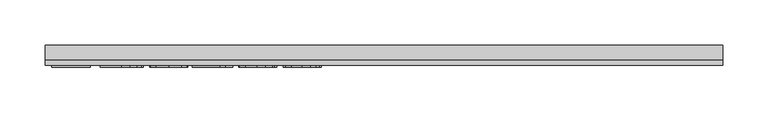
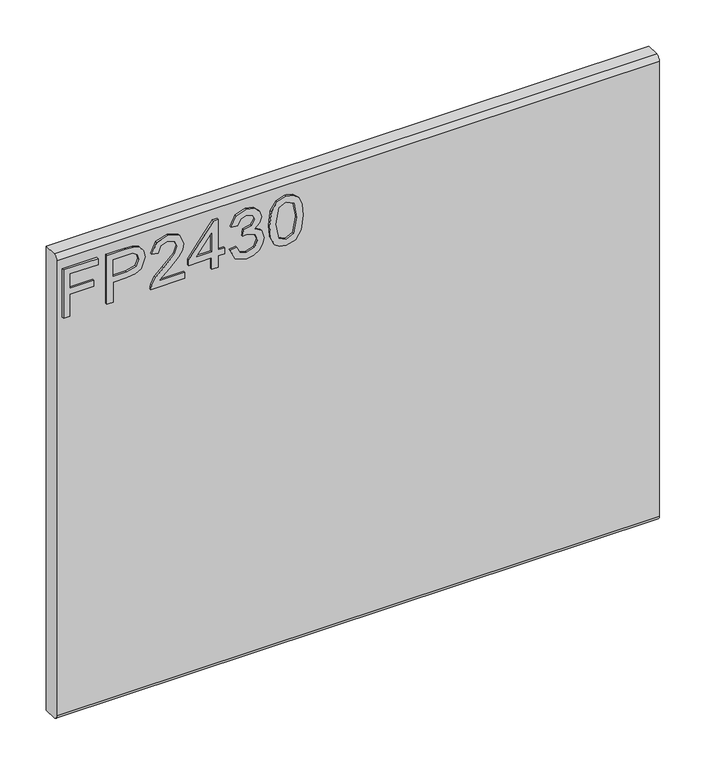
"""IFC4 building model written with IfcOpenShell, lengths in millimetres: furniture geometry."""

from ifc_helpers import new_model, si_unit, frame, origin, place, context, project, spatial, polyline, circle_curve, outline, extrude, source, transform, mapped, element, save
from ifc_brep_helpers import plane_surface, cylinder_surface, advanced_brep


def furniture_e4bc5b2f(model_context):
    return source(origin(), model_context, "Body", "SolidModel", [
        extrude(outline(polyline([(679.45, -367.6729953), (679.45, -359.6992757), (708.3547336, -359.6992757), (708.3547336, -329.7978271), (716.3284532, -329.7978271), (716.3284532, -359.6992757), (735.2660373, -359.6992757), (735.2660373, -324.8142524), (743.2397569, -324.8142524), (743.2397569, -367.6729953), (679.45, -367.6729953)])), frame((0.0, -15.0812439, 0.0), z_axis=(0.0, 1.0, 0.0), x_axis=(0.0, 0.0, 1.0)), (0.0, 0.0, 1.0), 2.38125),
        extrude(outline(polyline([(679.45, -313.8503879), (679.45, -305.8766683), (705.3645888, -305.8766683), (705.3645888, -289.6644766), (706.774006, -278.3365776), (711.0022577, -271.1395948), (724.7849567, -266.0080702), (733.482852, -267.9080581), (739.6500257, -272.930567), (742.6323838, -280.6784684), (743.2397569, -290.2095551), (743.2397569, -313.8503879), (679.45, -313.8503879)]), holes=[polyline([(713.3383084, -305.8766683), (735.2660373, -305.8766683), (735.2660373, -289.3841506), (734.7209588, -281.4104309), (731.1078671, -276.0297276), (724.5046306, -273.9817898), (716.2661585, -277.4547185), (713.3383084, -289.1972665), (713.3383084, -305.8766683)])]), frame((0.0, -15.0812439, 0.0), z_axis=(0.0, 1.0, 0.0), x_axis=(0.0, 0.0, 1.0)), (0.0, 0.0, 1.0), 2.38125),
        extrude(outline(polyline([(687.4237196, -217.1690375), (687.4237196, -248.4876902), (691.4806609, -244.8901722), (699.150694, -235.7172799), (710.0756243, -224.2939921), (717.8936072, -219.5829566), (725.4546245, -218.1657525), (738.1315928, -223.4218665), (743.2397569, -237.6951361), (738.645524, -251.9216847), (725.2988878, -258.0343506), (724.3021729, -250.060631), (732.3537608, -246.7045048), (735.2660373, -237.8664465), (732.2836793, -229.3865825), (724.9718407, -226.1394721), (715.9391115, -229.5812534), (702.65477, -243.3483787), (693.4117962, -253.3311019), (684.9475059, -258.1745136), (679.45, -259.0310655), (679.45, -217.1690375), (687.4237196, -217.1690375)])), frame((0.0, -15.0812439, 0.0), z_axis=(0.0, 1.0, 0.0), x_axis=(0.0, 0.0, 1.0)), (0.0, 0.0, 1.0), 2.38125),
        extrude(outline(polyline([(679.45, -183.2807292), (679.45, -175.3070095), (694.4007243, -175.3070095), (694.4007243, -167.3332899), (702.3744439, -167.3332899), (702.3744439, -175.3070095), (742.243042, -175.3070095), (742.243042, -181.2872993), (702.3744439, -212.1854628), (694.4007243, -212.1854628), (694.4007243, -183.2807292), (679.45, -183.2807292)]), holes=[polyline([(702.3744439, -183.2807292), (702.3744439, -202.37405), (727.0119916, -183.2807292), (702.3744439, -183.2807292)])]), frame((0.0, -15.0812439, 0.0), z_axis=(0.0, 1.0, 0.0), x_axis=(0.0, 0.0, 1.0)), (0.0, 0.0, 1.0), 2.38125),
        extrude(outline(polyline([(696.3941542, -160.3562853), (683.4524335, -154.0178011), (678.453285, -140.0326444), (679.9172101, -131.5099529), (684.3089854, -124.5991364), (690.8032063, -120.020477), (698.5744681, -118.4942573), (708.9465331, -121.5466968), (714.397318, -130.2368053), (719.6767925, -123.6958634), (727.0275653, -121.4844021), (735.0713664, -123.812666), (741.0516562, -130.5404919), (743.2397569, -140.1572338), (738.8012607, -152.8342021), (726.2956028, -159.3595703), (725.2988878, -151.3858507), (732.7742499, -147.4768592), (735.2660373, -139.8769077), (732.7976105, -132.3703982), (726.5603552, -129.4581217), (719.5210558, -133.4761289), (717.3251682, -143.8014729), (709.3514486, -144.6891721), (710.2235742, -139.0982242), (706.96089, -130.0343476), (698.7146312, -126.4679769), (689.962228, -130.0654949), (686.4270047, -139.7523184), (688.9966604, -147.9830036), (697.3908691, -152.3825656), (696.3941542, -160.3562853)])), frame((0.0, -15.0812439, 0.0), z_axis=(0.0, 1.0, 0.0), x_axis=(0.0, 0.0, 1.0)), (0.0, 0.0, 1.0), 2.38125),
        extrude(outline(polyline([(710.8309473, -111.5172526), (695.3156775, -109.9287381), (684.5270168, -105.1631948), (679.971718, -98.8714316), (678.453285, -90.5862386), (681.9495742, -78.9137721), (692.5552443, -71.9757016), (710.8309473, -69.6552246), (725.8206058, -71.103576), (735.2582505, -74.8412571), (741.1840324, -81.2731833), (743.2397569, -90.5862386), (739.7668283, -102.2119841), (729.1845188, -109.1734151), (710.8309473, -111.5172526)]), holes=[polyline([(710.846521, -103.543533), (730.9988514, -99.6812625), (735.2660373, -90.6796806), (730.4226256, -81.2420359), (710.846521, -77.6289442), (691.0601718, -81.3666253), (686.4270047, -90.5862386), (691.0445982, -99.8058519), (710.846521, -103.543533)])]), frame((0.0, -15.0812439, 0.0), z_axis=(0.0, 1.0, 0.0), x_axis=(0.0, 0.0, 1.0)), (0.0, 0.0, 1.0), 2.38125),
        advanced_brep(
        [(374.65, 9.5250061, 762.0), (374.65, -6.7309939, 762.0), (374.65, -12.6999939, 756.031), (374.65, -12.6999939, 158.369), (374.65, -6.7309939, 152.4), (374.65, 9.5250061, 152.4), (-374.65, 9.5250061, 762.0), (-374.65, 9.5250061, 152.4), (-374.65, -6.7309939, 152.4), (-374.65, -12.6999939, 158.369), (-374.65, -12.6999939, 756.0310121), (-374.65, -6.7309939, 762.0)],
        [
            (0, 1),
            (1, 2, circle_curve(frame((374.65, -6.7309939, 756.031), z_axis=(1.0, 0.0, 0.0), x_axis=(0.0, 1.0, 0.0)), 5.969)),
            (2, 3),
            (3, 4, circle_curve(frame((374.65, -6.7309939, 158.369), z_axis=(1.0, 0.0, 0.0), x_axis=(0.0, 1.0, 0.0)), 5.969)),
            (4, 5),
            (5, 0),
            (6, 7),
            (7, 8),
            (8, 9, circle_curve(frame((-374.65, -6.7309939, 158.369), z_axis=(-1.0, 0.0, 0.0), x_axis=(0.0, 1.0, 0.0)), 5.969)),
            (9, 10),
            (10, 11, circle_curve(frame((-374.65, -6.7309939, 756.031), z_axis=(-1.0, 0.0, 0.0), x_axis=(0.0, 1.0, 0.0)), 5.969)),
            (11, 6),
            (0, 6),
            (11, 1),
            (10, 2),
            (9, 3),
            (8, 4),
            (7, 5),
        ],
        [
            plane_surface(frame((374.65, -6.7309939, 762.0), z_axis=(1.0, 0.0, 0.0), x_axis=(0.0, -1.0, 0.0))),
            plane_surface(frame((-374.65, -6.7309939, 762.0), z_axis=(-1.0, 0.0, 0.0), x_axis=(0.0, 1.0, 0.0))),
            plane_surface(frame((374.65, 9.5250061, 762.0), z_axis=(0.0, 0.0, 1.0), x_axis=(-1.0, 0.0, 0.0))),
            cylinder_surface(frame((-374.65, -6.7309939, 756.031), z_axis=(1.0, 0.0, 0.0), x_axis=(0.0, 1.0, 0.0)), 5.969),
            plane_surface(frame((374.65, -12.6999939, 756.0310121), z_axis=(0.0, -1.0, 0.0), x_axis=(-1.0, 0.0, 0.0))),
            cylinder_surface(frame((-374.65, -6.7309939, 158.369), z_axis=(1.0, 0.0, 0.0), x_axis=(0.0, 1.0, 0.0)), 5.969),
            plane_surface(frame((374.65, -6.7309939, 152.4), z_axis=(0.0, 0.0, -1.0), x_axis=(-1.0, 0.0, 0.0))),
            plane_surface(frame((374.65, 9.5250061, 152.4), z_axis=(0.0, 1.0, 0.0), x_axis=(-1.0, 0.0, 0.0))),
        ],
        [
            (0, [[1, 2, 3, 4, 5, 6]]),
            (1, [[7, 8, 9, 10, 11, 12]]),
            (2, [[-1, 13, -12, 14]]),
            (3, [[-2, -14, -11, 15]]),
            (4, [[-3, -15, -10, 16]]),
            (5, [[-4, -16, -9, 17]]),
            (6, [[-5, -17, -8, 18]]),
            (7, [[-6, -18, -7, -13]]),
        ],
    ),
    ])


if __name__ == "__main__":
    model = new_model("IFC4")
    model_context = context("Model", 3, world=origin())
    ifc_project = project(units=[si_unit("LENGTHUNIT", "METRE", prefix="MILLI")], contexts=[model_context])
    site = spatial("IfcSite", under=ifc_project)
    building = spatial("IfcBuilding", under=site)
    placement = place(None, origin())
    furniture_shape = furniture_e4bc5b2f(model_context)
    element("IfcFurniture", 1, at=placement, inside=building, context=model_context, shape_type="MappedRepresentation", body=[
        mapped(furniture_shape, transform((0.0, 0.0, 0.0), x_axis=(1.0, 0.0, 0.0), y_axis=(0.0, 1.0, 0.0), z_axis=(0.0, 0.0, 1.0))),
    ])
    save(model, "model.ifc")
